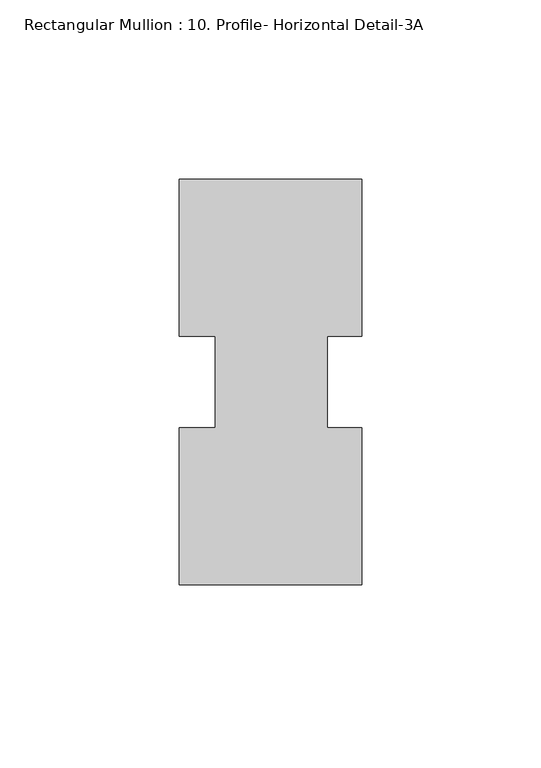
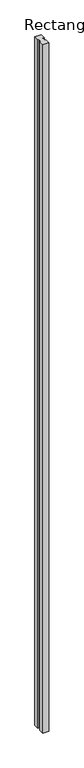
"""IFC4 building model written with IfcOpenShell, lengths in millimetres: member geometry, Rectangular Mullion : 10. Profile- Horizontal Detail-3A."""

from ifc_helpers import new_model, si_unit, frame, origin, place, context, project, spatial, polyline, outline, extrude, source, transform, mapped, element, save


def rectangular_mullion_10_profile_horizontal_detail_3a_8df93751(model_context):
    return source(origin(), model_context, "Body", "SweptSolid", [
        extrude(outline(polyline([(25.4, -56.5324006), (-25.4, -56.5324006), (-25.4, -12.7470668), (-15.4305055, -12.7470668), (-15.4305055, 12.7406316), (-25.4, 12.7406316), (-25.4, 56.5483994), (25.41905, 56.5483994), (25.41905, 12.7470668), (15.875, 12.7470668), (15.875, -12.7470668), (25.4, -12.7470668), (25.4, -56.5324006)])), frame((0.0, 0.0, -6000.75), z_axis=(0.0, 0.0, 1.0), x_axis=(1.0, 0.0, 0.0)), (0.0, 0.0, 1.0), 6000.75),
    ])


if __name__ == "__main__":
    model = new_model("IFC4")
    model_context = context("Model", 3, world=origin())
    ifc_project = project(units=[si_unit("LENGTHUNIT", "METRE", prefix="MILLI")], contexts=[model_context])
    site = spatial("IfcSite", under=ifc_project)
    building = spatial("IfcBuilding", under=site)
    placement = place(None, origin())
    rectangular_mullion_10_profile_horizontal_detail_3a_shape = rectangular_mullion_10_profile_horizontal_detail_3a_8df93751(model_context)
    element("IfcMember", 1, ObjectType="Rectangular Mullion : 10. Profile- Horizontal Detail-3A", at=placement, inside=building, context=model_context, shape_type="MappedRepresentation", body=[
        mapped(rectangular_mullion_10_profile_horizontal_detail_3a_shape, transform((0.0, 0.0, 0.0), x_axis=(1.0, 0.0, 0.0), y_axis=(0.0, 1.0, 0.0), z_axis=(0.0, 0.0, 1.0))),
    ])
    save(model, "model.ifc")
